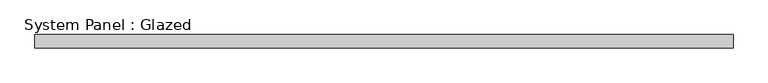
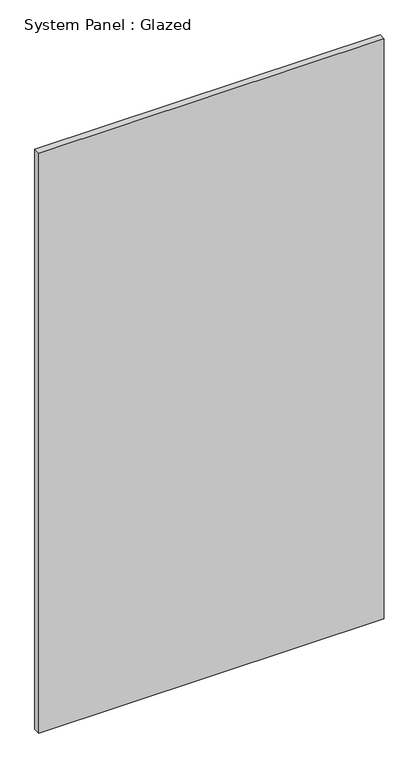
"""IFC4 building model written with IfcOpenShell, lengths in millimetres: plate geometry, System Panel : Glazed."""

from ifc_helpers import new_model, si_unit, origin, origin_with_axes, place, context, project, spatial, polyline, outline, extrude, source, transform, mapped, element, save


def system_panel_glazed_0403b872(model_context):
    return source(origin(), model_context, "Body", "SweptSolid", [
        extrude(outline(polyline([(655.3571429, 24.5), (-655.3571429, 24.5), (-655.3571429, 49.5), (655.3571429, 49.5), (655.3571429, 24.5)])), origin_with_axes(), (0.0, 0.0, 1.0), 2325.0),
    ])


if __name__ == "__main__":
    model = new_model("IFC4")
    model_context = context("Model", 3, world=origin())
    ifc_project = project(units=[si_unit("LENGTHUNIT", "METRE", prefix="MILLI")], contexts=[model_context])
    site = spatial("IfcSite", under=ifc_project)
    building = spatial("IfcBuilding", under=site)
    placement = place(None, origin())
    system_panel_glazed_shape = system_panel_glazed_0403b872(model_context)
    element("IfcPlate", 1, ObjectType="System Panel : Glazed", at=placement, inside=building, context=model_context, shape_type="MappedRepresentation", body=[
        mapped(system_panel_glazed_shape, transform((0.0, 0.0, 0.0), x_axis=(1.0, 0.0, 0.0), y_axis=(0.0, 1.0, 0.0), z_axis=(0.0, 0.0, 1.0))),
    ])
    save(model, "model.ifc")
